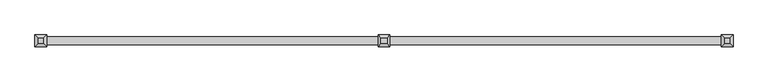
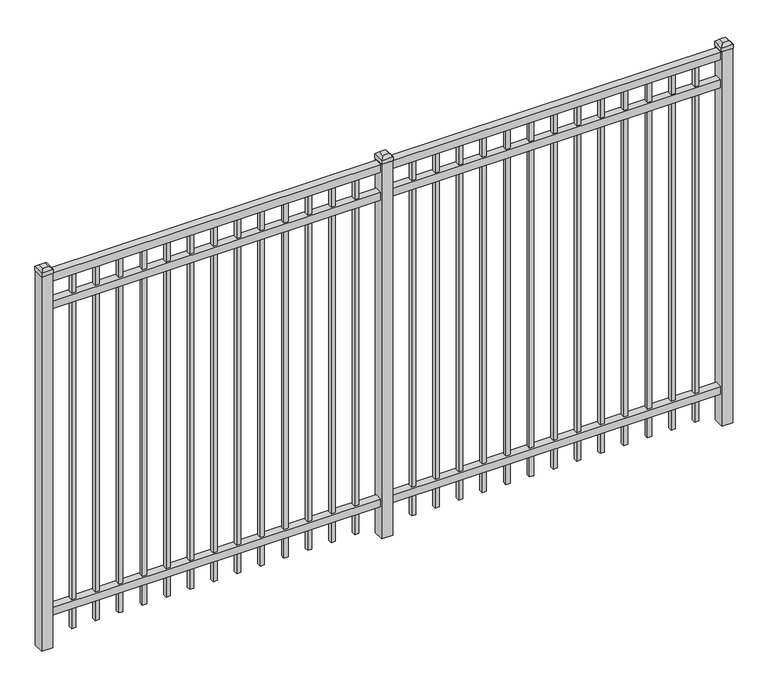
"""IFC4 building model written with IfcOpenShell, lengths in millimetres: railing geometry."""

from ifc_helpers import new_model, si_unit, frame, origin, origin_with_axes, place, context, project, spatial, polyline, outline, extrude, faceted_brep, source, transform, mapped, element, save


def railing_f7b5f991(model_context):
    return source(origin(), model_context, "Body", "SolidModel", [
        extrude(outline(polyline([(-67441.318087, -3091.1195174), (-67441.318087, -3056.1945174), (-64291.718087, -3056.1945174), (-64291.718087, -3091.1195174), (-67441.318087, -3091.1195174)])), frame((0.0, 0.0, 1790.7), z_axis=(0.0, 0.0, 1.0), x_axis=(1.0, 0.0, 0.0)), (0.0, 0.0, 1.0), 38.1),
        extrude(outline(polyline([(-67441.318087, -3091.1195174), (-67441.318087, -3056.1945174), (-64291.718087, -3056.1945174), (-64291.718087, -3091.1195174), (-67441.318087, -3091.1195174)])), frame((0.0, 0.0, 1654.175), z_axis=(0.0, 0.0, 1.0), x_axis=(1.0, 0.0, 0.0)), (0.0, 0.0, 1.0), 38.1),
        extrude(outline(polyline([(-67441.318087, -3091.1195174), (-67441.318087, -3056.1945174), (-64291.718087, -3056.1945174), (-64291.718087, -3091.1195174), (-67441.318087, -3091.1195174)])), frame((0.0, 0.0, 152.4), z_axis=(0.0, 0.0, 1.0), x_axis=(1.0, 0.0, 0.0)), (0.0, 0.0, 1.0), 38.1),
        extrude(outline(polyline([(-64523.2285036, -3064.1320174), (-64523.2285036, -3083.1820174), (-64542.2785036, -3083.1820174), (-64542.2785036, -3064.1320174), (-64523.2285036, -3064.1320174)])), frame((0.0, 0.0, 50.8), z_axis=(0.0, 0.0, 1.0), x_axis=(1.0, 0.0, 0.0)), (0.0, 0.0, 1.0), 1739.9),
        extrude(outline(polyline([(-64632.5014203, -3064.1320174), (-64632.5014203, -3083.1820174), (-64651.5514203, -3083.1820174), (-64651.5514203, -3064.1320174), (-64632.5014203, -3064.1320174)])), frame((0.0, 0.0, 50.8), z_axis=(0.0, 0.0, 1.0), x_axis=(1.0, 0.0, 0.0)), (0.0, 0.0, 1.0), 1739.9),
        extrude(outline(polyline([(-64741.774337, -3064.1320174), (-64741.774337, -3083.1820174), (-64760.824337, -3083.1820174), (-64760.824337, -3064.1320174), (-64741.774337, -3064.1320174)])), frame((0.0, 0.0, 50.8), z_axis=(0.0, 0.0, 1.0), x_axis=(1.0, 0.0, 0.0)), (0.0, 0.0, 1.0), 1739.9),
        extrude(outline(polyline([(-64851.0472536, -3064.1320174), (-64851.0472536, -3083.1820174), (-64870.0972536, -3083.1820174), (-64870.0972536, -3064.1320174), (-64851.0472536, -3064.1320174)])), frame((0.0, 0.0, 50.8), z_axis=(0.0, 0.0, 1.0), x_axis=(1.0, 0.0, 0.0)), (0.0, 0.0, 1.0), 1739.9),
        extrude(outline(polyline([(-64960.3201703, -3064.1320174), (-64960.3201703, -3083.1820174), (-64979.3701703, -3083.1820174), (-64979.3701703, -3064.1320174), (-64960.3201703, -3064.1320174)])), frame((0.0, 0.0, 50.8), z_axis=(0.0, 0.0, 1.0), x_axis=(1.0, 0.0, 0.0)), (0.0, 0.0, 1.0), 1739.9),
        extrude(outline(polyline([(-65069.593087, -3064.1320174), (-65069.593087, -3083.1820174), (-65088.643087, -3083.1820174), (-65088.643087, -3064.1320174), (-65069.593087, -3064.1320174)])), frame((0.0, 0.0, 50.8), z_axis=(0.0, 0.0, 1.0), x_axis=(1.0, 0.0, 0.0)), (0.0, 0.0, 1.0), 1739.9),
        extrude(outline(polyline([(-65178.8660036, -3064.1320174), (-65178.8660036, -3083.1820174), (-65197.9160036, -3083.1820174), (-65197.9160036, -3064.1320174), (-65178.8660036, -3064.1320174)])), frame((0.0, 0.0, 50.8), z_axis=(0.0, 0.0, 1.0), x_axis=(1.0, 0.0, 0.0)), (0.0, 0.0, 1.0), 1739.9),
        extrude(outline(polyline([(-65288.1389203, -3064.1320174), (-65288.1389203, -3083.1820174), (-65307.1889203, -3083.1820174), (-65307.1889203, -3064.1320174), (-65288.1389203, -3064.1320174)])), frame((0.0, 0.0, 50.8), z_axis=(0.0, 0.0, 1.0), x_axis=(1.0, 0.0, 0.0)), (0.0, 0.0, 1.0), 1739.9),
        extrude(outline(polyline([(-65397.411837, -3064.1320174), (-65397.411837, -3083.1820174), (-65416.461837, -3083.1820174), (-65416.461837, -3064.1320174), (-65397.411837, -3064.1320174)])), frame((0.0, 0.0, 50.8), z_axis=(0.0, 0.0, 1.0), x_axis=(1.0, 0.0, 0.0)), (0.0, 0.0, 1.0), 1739.9),
        extrude(outline(polyline([(-65506.6847536, -3064.1320174), (-65506.6847536, -3083.1820174), (-65525.7347536, -3083.1820174), (-65525.7347536, -3064.1320174), (-65506.6847536, -3064.1320174)])), frame((0.0, 0.0, 50.8), z_axis=(0.0, 0.0, 1.0), x_axis=(1.0, 0.0, 0.0)), (0.0, 0.0, 1.0), 1739.9),
        extrude(outline(polyline([(-65615.9576703, -3064.1320174), (-65615.9576703, -3083.1820174), (-65635.0076703, -3083.1820174), (-65635.0076703, -3064.1320174), (-65615.9576703, -3064.1320174)])), frame((0.0, 0.0, 50.8), z_axis=(0.0, 0.0, 1.0), x_axis=(1.0, 0.0, 0.0)), (0.0, 0.0, 1.0), 1739.9),
        extrude(outline(polyline([(-64413.955587, -3064.1320174), (-64413.955587, -3083.1820174), (-64433.005587, -3083.1820174), (-64433.005587, -3064.1320174), (-64413.955587, -3064.1320174)])), frame((0.0, 0.0, 50.8), z_axis=(0.0, 0.0, 1.0), x_axis=(1.0, 0.0, 0.0)), (0.0, 0.0, 1.0), 1739.9),
        extrude(outline(polyline([(-65725.230587, -3064.1320174), (-65725.230587, -3083.1820174), (-65744.280587, -3083.1820174), (-65744.280587, -3064.1320174), (-65725.230587, -3064.1320174)])), frame((0.0, 0.0, 50.8), z_axis=(0.0, 0.0, 1.0), x_axis=(1.0, 0.0, 0.0)), (0.0, 0.0, 1.0), 1739.9),
        extrude(outline(polyline([(-65841.118087, -3048.2570174), (-65841.118087, -3099.0570174), (-65891.918087, -3099.0570174), (-65891.918087, -3048.2570174), (-65841.118087, -3048.2570174)])), origin_with_axes(), (0.0, 0.0, 1.0), 1835.15),
        faceted_brep([(-65893.505587, -3046.6695174, 1854.2), (-65893.505587, -3046.6695174, 1835.15), (-65893.505587, -3100.6445174, 1835.15), (-65893.505587, -3100.6445174, 1854.2), (-65880.805587, -3059.3695174, 1866.9), (-65880.805587, -3087.9445174, 1866.9), (-65839.530587, -3100.6445174, 1835.15), (-65839.530587, -3100.6445174, 1854.2), (-65852.230587, -3087.9445174, 1866.9), (-65839.530587, -3046.6695174, 1835.15), (-65839.530587, -3046.6695174, 1854.2), (-65852.230587, -3059.3695174, 1866.9)], [[[0, 1, 2, 3]], [[4, 0, 3, 5]], [[3, 2, 6, 7]], [[5, 3, 7, 8]], [[7, 6, 9, 10]], [[8, 7, 10, 11]], [[10, 9, 1, 0]], [[11, 10, 0, 4]], [[5, 8, 11, 4]], [[1, 9, 6, 2]]]),
        extrude(outline(polyline([(-66098.0285036, -3064.1320174), (-66098.0285036, -3083.1820174), (-66117.0785036, -3083.1820174), (-66117.0785036, -3064.1320174), (-66098.0285036, -3064.1320174)])), frame((0.0, 0.0, 50.8), z_axis=(0.0, 0.0, 1.0), x_axis=(1.0, 0.0, 0.0)), (0.0, 0.0, 1.0), 1739.9),
        extrude(outline(polyline([(-66207.3014203, -3064.1320174), (-66207.3014203, -3083.1820174), (-66226.3514203, -3083.1820174), (-66226.3514203, -3064.1320174), (-66207.3014203, -3064.1320174)])), frame((0.0, 0.0, 50.8), z_axis=(0.0, 0.0, 1.0), x_axis=(1.0, 0.0, 0.0)), (0.0, 0.0, 1.0), 1739.9),
        extrude(outline(polyline([(-66316.574337, -3064.1320174), (-66316.574337, -3083.1820174), (-66335.624337, -3083.1820174), (-66335.624337, -3064.1320174), (-66316.574337, -3064.1320174)])), frame((0.0, 0.0, 50.8), z_axis=(0.0, 0.0, 1.0), x_axis=(1.0, 0.0, 0.0)), (0.0, 0.0, 1.0), 1739.9),
        extrude(outline(polyline([(-66425.8472536, -3064.1320174), (-66425.8472536, -3083.1820174), (-66444.8972536, -3083.1820174), (-66444.8972536, -3064.1320174), (-66425.8472536, -3064.1320174)])), frame((0.0, 0.0, 50.8), z_axis=(0.0, 0.0, 1.0), x_axis=(1.0, 0.0, 0.0)), (0.0, 0.0, 1.0), 1739.9),
        extrude(outline(polyline([(-66535.1201703, -3064.1320174), (-66535.1201703, -3083.1820174), (-66554.1701703, -3083.1820174), (-66554.1701703, -3064.1320174), (-66535.1201703, -3064.1320174)])), frame((0.0, 0.0, 50.8), z_axis=(0.0, 0.0, 1.0), x_axis=(1.0, 0.0, 0.0)), (0.0, 0.0, 1.0), 1739.9),
        extrude(outline(polyline([(-66644.393087, -3064.1320174), (-66644.393087, -3083.1820174), (-66663.443087, -3083.1820174), (-66663.443087, -3064.1320174), (-66644.393087, -3064.1320174)])), frame((0.0, 0.0, 50.8), z_axis=(0.0, 0.0, 1.0), x_axis=(1.0, 0.0, 0.0)), (0.0, 0.0, 1.0), 1739.9),
        extrude(outline(polyline([(-66753.6660036, -3064.1320174), (-66753.6660036, -3083.1820174), (-66772.7160036, -3083.1820174), (-66772.7160036, -3064.1320174), (-66753.6660036, -3064.1320174)])), frame((0.0, 0.0, 50.8), z_axis=(0.0, 0.0, 1.0), x_axis=(1.0, 0.0, 0.0)), (0.0, 0.0, 1.0), 1739.9),
        extrude(outline(polyline([(-66862.9389203, -3064.1320174), (-66862.9389203, -3083.1820174), (-66881.9889203, -3083.1820174), (-66881.9889203, -3064.1320174), (-66862.9389203, -3064.1320174)])), frame((0.0, 0.0, 50.8), z_axis=(0.0, 0.0, 1.0), x_axis=(1.0, 0.0, 0.0)), (0.0, 0.0, 1.0), 1739.9),
        extrude(outline(polyline([(-66972.211837, -3064.1320174), (-66972.211837, -3083.1820174), (-66991.261837, -3083.1820174), (-66991.261837, -3064.1320174), (-66972.211837, -3064.1320174)])), frame((0.0, 0.0, 50.8), z_axis=(0.0, 0.0, 1.0), x_axis=(1.0, 0.0, 0.0)), (0.0, 0.0, 1.0), 1739.9),
        extrude(outline(polyline([(-67081.4847536, -3064.1320174), (-67081.4847536, -3083.1820174), (-67100.5347536, -3083.1820174), (-67100.5347536, -3064.1320174), (-67081.4847536, -3064.1320174)])), frame((0.0, 0.0, 50.8), z_axis=(0.0, 0.0, 1.0), x_axis=(1.0, 0.0, 0.0)), (0.0, 0.0, 1.0), 1739.9),
        extrude(outline(polyline([(-67190.7576703, -3064.1320174), (-67190.7576703, -3083.1820174), (-67209.8076703, -3083.1820174), (-67209.8076703, -3064.1320174), (-67190.7576703, -3064.1320174)])), frame((0.0, 0.0, 50.8), z_axis=(0.0, 0.0, 1.0), x_axis=(1.0, 0.0, 0.0)), (0.0, 0.0, 1.0), 1739.9),
        extrude(outline(polyline([(-65988.755587, -3064.1320174), (-65988.755587, -3083.1820174), (-66007.805587, -3083.1820174), (-66007.805587, -3064.1320174), (-65988.755587, -3064.1320174)])), frame((0.0, 0.0, 50.8), z_axis=(0.0, 0.0, 1.0), x_axis=(1.0, 0.0, 0.0)), (0.0, 0.0, 1.0), 1739.9),
        extrude(outline(polyline([(-67300.030587, -3064.1320174), (-67300.030587, -3083.1820174), (-67319.080587, -3083.1820174), (-67319.080587, -3064.1320174), (-67300.030587, -3064.1320174)])), frame((0.0, 0.0, 50.8), z_axis=(0.0, 0.0, 1.0), x_axis=(1.0, 0.0, 0.0)), (0.0, 0.0, 1.0), 1739.9),
        extrude(outline(polyline([(-64266.318087, -3048.2570174), (-64266.318087, -3099.0570174), (-64317.118087, -3099.0570174), (-64317.118087, -3048.2570174), (-64266.318087, -3048.2570174)])), origin_with_axes(), (0.0, 0.0, 1.0), 1835.15),
        faceted_brep([(-64318.705587, -3046.6695174, 1854.2), (-64318.705587, -3046.6695174, 1835.15), (-64318.705587, -3100.6445174, 1835.15), (-64318.705587, -3100.6445174, 1854.2), (-64306.005587, -3059.3695174, 1866.9), (-64306.005587, -3087.9445174, 1866.9), (-64264.730587, -3100.6445174, 1835.15), (-64264.730587, -3100.6445174, 1854.2), (-64277.430587, -3087.9445174, 1866.9), (-64264.730587, -3046.6695174, 1835.15), (-64264.730587, -3046.6695174, 1854.2), (-64277.430587, -3059.3695174, 1866.9)], [[[0, 1, 2, 3]], [[4, 0, 3, 5]], [[3, 2, 6, 7]], [[5, 3, 7, 8]], [[7, 6, 9, 10]], [[8, 7, 10, 11]], [[10, 9, 1, 0]], [[11, 10, 0, 4]], [[5, 8, 11, 4]], [[1, 9, 6, 2]]]),
        extrude(outline(polyline([(-67415.918087, -3048.2570174), (-67415.918087, -3099.0570174), (-67466.718087, -3099.0570174), (-67466.718087, -3048.2570174), (-67415.918087, -3048.2570174)])), origin_with_axes(), (0.0, 0.0, 1.0), 1835.15),
        faceted_brep([(-67468.305587, -3046.6695174, 1854.2), (-67468.305587, -3046.6695174, 1835.15), (-67468.305587, -3100.6445174, 1835.15), (-67468.305587, -3100.6445174, 1854.2), (-67455.605587, -3059.3695174, 1866.9), (-67455.605587, -3087.9445174, 1866.9), (-67414.330587, -3100.6445174, 1835.15), (-67414.330587, -3100.6445174, 1854.2), (-67427.030587, -3087.9445174, 1866.9), (-67414.330587, -3046.6695174, 1835.15), (-67414.330587, -3046.6695174, 1854.2), (-67427.030587, -3059.3695174, 1866.9)], [[[0, 1, 2, 3]], [[4, 0, 3, 5]], [[3, 2, 6, 7]], [[5, 3, 7, 8]], [[7, 6, 9, 10]], [[8, 7, 10, 11]], [[10, 9, 1, 0]], [[11, 10, 0, 4]], [[5, 8, 11, 4]], [[1, 9, 6, 2]]]),
    ])


if __name__ == "__main__":
    model = new_model("IFC4")
    model_context = context("Model", 3, world=origin())
    ifc_project = project(units=[si_unit("LENGTHUNIT", "METRE", prefix="MILLI")], contexts=[model_context])
    site = spatial("IfcSite", under=ifc_project)
    building = spatial("IfcBuilding", under=site)
    placement = place(None, origin())
    railing_shape = railing_f7b5f991(model_context)
    element("IfcRailing", 1, at=placement, inside=building, context=model_context, shape_type="MappedRepresentation", body=[
        mapped(railing_shape, transform((0.0, 0.0, 0.0), x_axis=(1.0, 0.0, 0.0), y_axis=(0.0, 1.0, 0.0), z_axis=(0.0, 0.0, 1.0))),
    ])
    save(model, "model.ifc")
